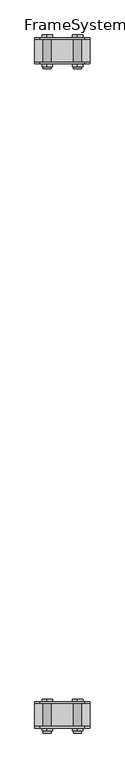
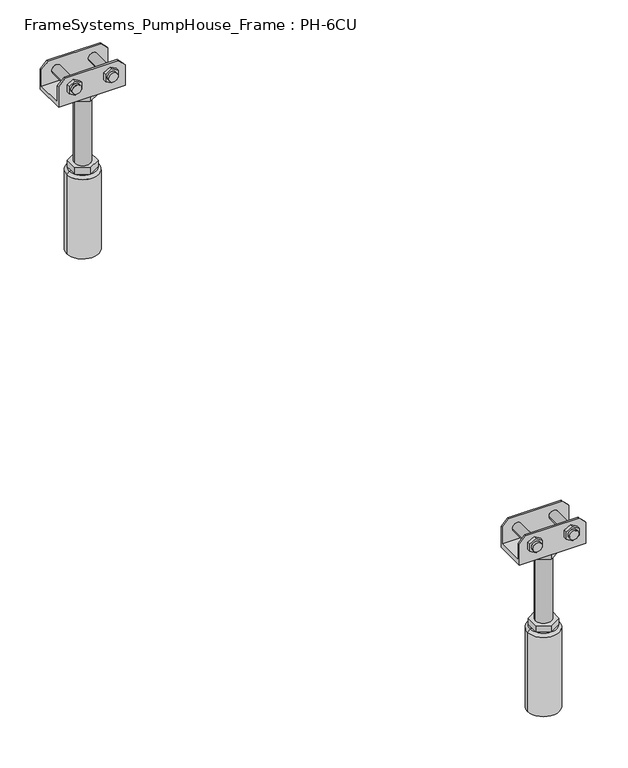
"""IFC4 building model written with IfcOpenShell, lengths in millimetres: beam geometry, FrameSystems_PumpHouse_Frame : PH-6CU."""

from ifc_helpers import new_model, si_unit, frame, origin, place, context, project, spatial, polyline, circle_curve, source, transform, mapped, element, save
from ifc_brep_helpers import plane_surface, cylinder_surface, revolved_surface, advanced_brep


def framesystems_pumphouse_frame_ph_6cu_a169cb61(model_context):
    return source(origin(), model_context, "Body", "AdvancedBrep", [
        advanced_brep(
        [(2440.0, 1179.25, 316.0), (2450.0, 1179.25, 306.0), (2450.0, 1179.25, 280.0), (2350.0, 1179.25, 280.0), (2350.0, 1179.25, 306.0), (2360.0, 1179.25, 316.0), (2434.5, 1179.25, 299.0), (2420.5, 1179.25, 299.0), (2379.5, 1179.25, 299.0), (2365.5, 1179.25, 299.0), (2440.0, 1176.25, 316.0), (2360.0, 1176.25, 316.0), (2350.0, 1176.25, 306.0), (2350.0, 1176.25, 273.0), (2450.0, 1176.25, 273.0), (2450.0, 1176.25, 306.0), (2417.9194511, 1176.25, 293.4686675), (2417.9194511, 1176.25, 304.5313325), (2427.5, 1176.25, 310.062665), (2437.0805489, 1176.25, 304.5313325), (2437.0805489, 1176.25, 293.4686675), (2427.5, 1176.25, 287.937335), (2362.9194511, 1176.25, 293.4686675), (2362.9194511, 1176.25, 304.5313325), (2372.5, 1176.25, 310.062665), (2382.0805489, 1176.25, 304.5313325), (2382.0805489, 1176.25, 293.4686675), (2372.5, 1176.25, 287.937335), (2440.0, 1223.653247, 316.0), (2450.0, 1223.653247, 306.0), (2450.0, 1223.653247, 273.0), (2350.0, 1223.653247, 273.0), (2350.0, 1223.653247, 306.0), (2360.0, 1223.653247, 316.0), (2437.0805489, 1223.653247, 304.5313325), (2427.5, 1223.653247, 310.062665), (2417.9194511, 1223.653247, 304.5313325), (2417.9194511, 1223.653247, 293.4686675), (2427.5, 1223.653247, 287.937335), (2437.0805489, 1223.653247, 293.4686675), (2382.0805489, 1223.653247, 304.5313325), (2372.5, 1223.653247, 310.062665), (2362.9194511, 1223.653247, 304.5313325), (2362.9194511, 1223.653247, 293.4686675), (2372.5, 1223.653247, 287.937335), (2382.0805489, 1223.653247, 293.4686675), (2350.0, 1220.75, 280.0), (2350.0, 1220.75, 306.0), (2450.0, 1220.75, 280.0), (2450.0, 1220.75, 306.0), (2440.0, 1220.75, 316.0), (2360.0, 1220.75, 316.0), (2420.5, 1220.75, 299.0), (2434.5, 1220.75, 299.0), (2365.5, 1220.75, 299.0), (2379.5, 1220.75, 299.0), (2382.6794919, 1210.0, 273.0), (2382.6794919, 1190.0, 273.0), (2400.0, 1180.0, 273.0), (2417.3205081, 1190.0, 273.0), (2417.3205081, 1210.0, 273.0), (2400.0, 1220.0, 273.0), (2420.5, 1167.3051094, 299.0), (2434.5, 1167.3051094, 299.0), (2365.5, 1167.3051094, 299.0), (2379.5, 1167.3051094, 299.0), (2434.5, 1171.25, 299.0), (2420.5, 1171.25, 299.0), (2379.5, 1171.25, 299.0), (2365.5, 1171.25, 299.0), (2427.5, 1228.653247, 310.062665), (2437.0805489, 1228.653247, 304.5313325), (2437.0805489, 1228.653247, 293.4686675), (2427.5, 1228.653247, 287.937335), (2417.9194511, 1228.653247, 293.4686675), (2417.9194511, 1228.653247, 304.5313325), (2372.5, 1228.653247, 310.062665), (2382.0805489, 1228.653247, 304.5313325), (2382.0805489, 1228.653247, 293.4686675), (2372.5, 1228.653247, 287.937335), (2362.9194511, 1228.653247, 293.4686675), (2362.9194511, 1228.653247, 304.5313325), (2388.0, 1200.0, 263.0), (2388.0, 1200.0, 157.0), (2412.0, 1200.0, 157.0), (2412.0, 1200.0, 263.0), (2382.6794919, 1210.0, 263.0), (2400.0, 1220.0, 263.0), (2417.3205081, 1210.0, 263.0), (2417.3205081, 1190.0, 263.0), (2400.0, 1180.0, 263.0), (2382.6794919, 1190.0, 263.0), (2382.6794919, 1210.0, 157.0), (2382.6794919, 1190.0, 157.0), (2400.0, 1180.0, 157.0), (2417.3205081, 1190.0, 157.0), (2417.3205081, 1210.0, 157.0), (2400.0, 1220.0, 157.0), (2382.6794919, 1210.0, 147.0), (2382.6794919, 1200.0, 147.0), (2382.6794919, 1190.0, 147.0), (2400.0, 1180.0, 147.0), (2417.3205081, 1190.0, 147.0), (2417.3205081, 1200.0, 147.0), (2417.3205081, 1210.0, 147.0), (2400.0, 1220.0, 147.0), (2380.0, 1200.0, 147.0), (2420.0, 1200.0, 147.0), (2424.0, 1200.0, 143.0), (2376.0, 1200.0, 143.0), (2424.0, 1200.0, 17.0), (2376.0, 1200.0, 17.0), (2400.0, 1200.0, 17.0), (2417.9194511, 1171.25, 304.5313325), (2417.9194511, 1171.25, 293.4686675), (2427.5, 1171.25, 287.937335), (2437.0805489, 1171.25, 293.4686675), (2437.0805489, 1171.25, 304.5313325), (2427.5, 1171.25, 310.062665), (2362.9194511, 1171.25, 304.5313325), (2362.9194511, 1171.25, 293.4686675), (2372.5, 1171.25, 287.937335), (2382.0805489, 1171.25, 293.4686675), (2382.0805489, 1171.25, 304.5313325), (2372.5, 1171.25, 310.062665)],
        [
            (0, 1),
            (1, 2),
            (2, 3),
            (3, 4),
            (4, 5),
            (5, 0),
            (6, 7, circle_curve(frame((2427.5, 1179.25, 299.0), z_axis=(0.0, -1.0, 0.0), x_axis=(-1.0, 0.0, 0.0)), 7.0)),
            (7, 6, circle_curve(frame((2427.5, 1179.25, 299.0), z_axis=(0.0, -1.0, 0.0), x_axis=(-1.0, 0.0, 0.0)), 7.0)),
            (8, 9, circle_curve(frame((2372.5, 1179.25, 299.0), z_axis=(0.0, -1.0, 0.0), x_axis=(-1.0, 0.0, 0.0)), 7.0)),
            (9, 8, circle_curve(frame((2372.5, 1179.25, 299.0), z_axis=(0.0, -1.0, 0.0), x_axis=(-1.0, 0.0, 0.0)), 7.0)),
            (10, 11),
            (11, 12),
            (12, 13),
            (13, 14),
            (14, 15),
            (15, 10),
            (16, 17),
            (17, 18),
            (18, 19),
            (19, 20),
            (20, 21),
            (21, 16),
            (22, 23),
            (23, 24),
            (24, 25),
            (25, 26),
            (26, 27),
            (27, 22),
            (5, 11),
            (10, 0),
            (4, 12),
            (15, 1),
            (28, 29),
            (29, 30),
            (30, 31),
            (31, 32),
            (32, 33),
            (33, 28),
            (34, 35),
            (35, 36),
            (36, 37),
            (37, 38),
            (38, 39),
            (39, 34),
            (40, 41),
            (41, 42),
            (42, 43),
            (43, 44),
            (44, 45),
            (45, 40),
            (46, 47),
            (47, 32),
            (31, 13),
            (3, 46),
            (46, 48),
            (48, 49),
            (49, 50),
            (50, 51),
            (51, 47),
            (52, 53, circle_curve(frame((2427.5, 1220.75, 299.0), z_axis=(0.0, 1.0, 0.0), x_axis=(-1.0, 0.0, 0.0)), 7.0)),
            (53, 52, circle_curve(frame((2427.5, 1220.75, 299.0), z_axis=(0.0, 1.0, 0.0), x_axis=(-1.0, 0.0, 0.0)), 7.0)),
            (54, 55, circle_curve(frame((2372.5, 1220.75, 299.0), z_axis=(0.0, 1.0, 0.0), x_axis=(-1.0, 0.0, 0.0)), 7.0)),
            (55, 54, circle_curve(frame((2372.5, 1220.75, 299.0), z_axis=(0.0, 1.0, 0.0), x_axis=(-1.0, 0.0, 0.0)), 7.0)),
            (48, 2),
            (14, 30),
            (29, 49),
            (50, 28),
            (33, 51),
            (56, 57),
            (57, 58),
            (58, 59),
            (59, 60),
            (60, 61),
            (61, 56),
            (62, 63, circle_curve(frame((2427.5, 1167.3051094, 299.0), z_axis=(0.0, -1.0, 0.0), x_axis=(-1.0, 0.0, 0.0)), 7.0)),
            (63, 62, circle_curve(frame((2427.5, 1167.3051094, 299.0), z_axis=(0.0, -1.0, 0.0), x_axis=(-1.0, 0.0, 0.0)), 7.0)),
            (64, 65, circle_curve(frame((2372.5, 1167.3051094, 299.0), z_axis=(0.0, -1.0, 0.0), x_axis=(-1.0, 0.0, 0.0)), 7.0)),
            (65, 64, circle_curve(frame((2372.5, 1167.3051094, 299.0), z_axis=(0.0, -1.0, 0.0), x_axis=(-1.0, 0.0, 0.0)), 7.0)),
            (63, 66),
            (66, 67, circle_curve(frame((2427.5, 1171.25, 299.0), z_axis=(0.0, -1.0, 0.0), x_axis=(-1.0, 0.0, 0.0)), 7.0)),
            (67, 62),
            (6, 53),
            (52, 7),
            (67, 66, circle_curve(frame((2427.5, 1171.25, 299.0), z_axis=(0.0, -1.0, 0.0), x_axis=(-1.0, 0.0, 0.0)), 7.0)),
            (65, 68),
            (68, 69, circle_curve(frame((2372.5, 1171.25, 299.0), z_axis=(0.0, -1.0, 0.0), x_axis=(-1.0, 0.0, 0.0)), 7.0)),
            (69, 64),
            (8, 55),
            (54, 9),
            (69, 68, circle_curve(frame((2372.5, 1171.25, 299.0), z_axis=(0.0, -1.0, 0.0), x_axis=(-1.0, 0.0, 0.0)), 7.0)),
            (70, 71),
            (71, 72),
            (72, 73),
            (73, 74),
            (74, 75),
            (75, 70),
            (76, 77),
            (77, 78),
            (78, 79),
            (79, 80),
            (80, 81),
            (81, 76),
            (70, 35),
            (34, 71),
            (39, 72),
            (38, 73),
            (37, 74),
            (36, 75),
            (76, 41),
            (40, 77),
            (45, 78),
            (44, 79),
            (43, 80),
            (42, 81),
            (82, 83),
            (83, 84, circle_curve(frame((2400.0, 1200.0, 157.0), z_axis=(0.0, 0.0, 1.0), x_axis=(1.0, 0.0, 0.0)), 12.0)),
            (84, 85),
            (85, 82, circle_curve(frame((2400.0, 1200.0, 263.0), z_axis=(0.0, 0.0, -1.0), x_axis=(1.0, 0.0, 0.0)), 12.0)),
            (82, 85, circle_curve(frame((2400.0, 1200.0, 263.0), z_axis=(0.0, 0.0, -1.0), x_axis=(1.0, 0.0, 0.0)), 12.0)),
            (84, 83, circle_curve(frame((2400.0, 1200.0, 157.0), z_axis=(0.0, 0.0, 1.0), x_axis=(1.0, 0.0, 0.0)), 12.0)),
            (86, 87),
            (87, 88),
            (88, 89),
            (89, 90),
            (90, 91),
            (91, 86),
            (91, 57),
            (56, 86),
            (90, 58),
            (89, 59),
            (88, 60),
            (87, 61),
            (92, 93),
            (93, 94),
            (94, 95),
            (95, 96),
            (96, 97),
            (97, 92),
            (92, 98),
            (98, 99),
            (99, 100),
            (100, 93),
            (100, 101),
            (101, 94),
            (101, 102),
            (102, 95),
            (102, 103),
            (103, 104),
            (104, 96),
            (104, 105),
            (105, 97),
            (105, 98),
            (98, 106, circle_curve(frame((2400.0, 1200.0, 147.0), z_axis=(0.0, 0.0, 1.0), x_axis=(-1.0, 0.0, 0.0)), 20.0)),
            (106, 99),
            (105, 98, circle_curve(frame((2400.0, 1200.0, 147.0), z_axis=(0.0, 0.0, 1.0), x_axis=(-1.0, 0.0, 0.0)), 20.0)),
            (104, 105, circle_curve(frame((2400.0, 1200.0, 147.0), z_axis=(0.0, 0.0, 1.0), x_axis=(-1.0, 0.0, 0.0)), 20.0)),
            (107, 104, circle_curve(frame((2400.0, 1200.0, 147.0), z_axis=(0.0, 0.0, 1.0), x_axis=(-1.0, 0.0, 0.0)), 20.0)),
            (103, 107),
            (102, 107, circle_curve(frame((2400.0, 1200.0, 147.0), z_axis=(0.0, 0.0, 1.0), x_axis=(-1.0, 0.0, 0.0)), 20.0)),
            (101, 102, circle_curve(frame((2400.0, 1200.0, 147.0), z_axis=(0.0, 0.0, 1.0), x_axis=(-1.0, 0.0, 0.0)), 20.0)),
            (100, 101, circle_curve(frame((2400.0, 1200.0, 147.0), z_axis=(0.0, 0.0, 1.0), x_axis=(-1.0, 0.0, 0.0)), 20.0)),
            (106, 100, circle_curve(frame((2400.0, 1200.0, 147.0), z_axis=(0.0, 0.0, 1.0), x_axis=(-1.0, 0.0, 0.0)), 20.0)),
            (108, 109, circle_curve(frame((2400.0, 1200.0, 143.0), z_axis=(0.0, 0.0, 1.0), x_axis=(-1.0, 0.0, 0.0)), 24.0)),
            (109, 106),
            (107, 108),
            (109, 108, circle_curve(frame((2400.0, 1200.0, 143.0), z_axis=(0.0, 0.0, 1.0), x_axis=(-1.0, 0.0, 0.0)), 24.0)),
            (108, 110),
            (110, 111, circle_curve(frame((2400.0, 1200.0, 17.0), z_axis=(0.0, 0.0, 1.0), x_axis=(-1.0, 0.0, 0.0)), 24.0)),
            (111, 109),
            (111, 110, circle_curve(frame((2400.0, 1200.0, 17.0), z_axis=(0.0, 0.0, 1.0), x_axis=(-1.0, 0.0, 0.0)), 24.0)),
            (110, 112),
            (112, 111),
            (113, 114),
            (114, 115),
            (115, 116),
            (116, 117),
            (117, 118),
            (118, 113),
            (113, 17),
            (16, 114),
            (21, 115),
            (20, 116),
            (19, 117),
            (18, 118),
            (119, 120),
            (120, 121),
            (121, 122),
            (122, 123),
            (123, 124),
            (124, 119),
            (119, 23),
            (22, 120),
            (27, 121),
            (26, 122),
            (25, 123),
            (24, 124),
        ],
        [
            plane_surface(frame((2384.0150941, 1179.25, 316.0), z_axis=(0.0, 1.0, 0.0), x_axis=(1.0, 0.0, 0.0))),
            plane_surface(frame((2384.0150941, 1176.25, 316.0), z_axis=(0.0, -1.0, 0.0), x_axis=(-1.0, 0.0, 0.0))),
            plane_surface(frame((2440.0, 1176.25, 316.0), z_axis=(0.0, 0.0, 1.0), x_axis=(0.0, 1.0, 0.0))),
            plane_surface(frame((2360.0, 1176.25, 316.0), z_axis=(-0.7071067811865467, 0.0, 0.7071067811865485), x_axis=(0.0, 1.0, 0.0))),
            plane_surface(frame((2450.0, 1176.25, 306.0), z_axis=(0.7071067811865488, 0.0, 0.7071067811865464), x_axis=(0.0, 1.0, 0.0))),
            plane_surface(frame((2450.0, 1223.653247, 306.0), z_axis=(0.0, 1.0, 0.0), x_axis=(0.0, 0.0, -1.0))),
            plane_surface(frame((2350.0, 1223.653247, 306.0), z_axis=(-1.0, 0.0, 0.0), x_axis=(0.0, 0.0, -1.0))),
            plane_surface(frame((2350.0, 1220.75, 306.0), z_axis=(0.0, -1.0, 0.0), x_axis=(0.0, 0.0, -1.0))),
            plane_surface(frame((2450.0, 1220.75, 306.0), z_axis=(1.0, 0.0, 0.0), x_axis=(0.0, 0.0, -1.0))),
            plane_surface(frame((2360.0, 1223.75, 316.0), z_axis=(0.0, 0.0, 1.0), x_axis=(0.0, -1.0, 0.0))),
            plane_surface(frame((2350.0, 1223.75, 306.0), z_axis=(-0.7071067811865467, 0.0, 0.7071067811865485), x_axis=(0.0, -1.0, 0.0))),
            plane_surface(frame((2440.0, 1223.75, 316.0), z_axis=(0.7071067811865493, 0.0, 0.7071067811865457), x_axis=(0.0, -1.0, 0.0))),
            plane_surface(frame((2400.0, 1223.75, 280.0), z_axis=(0.0, 0.0, 1.0), x_axis=(-1.0, 0.0, 0.0))),
            plane_surface(frame((2400.0, 1223.75, 273.0), z_axis=(0.0, 0.0, -1.0), x_axis=(1.0, 0.0, 0.0))),
            plane_surface(frame((2420.5, 1167.3051094, 299.0), z_axis=(0.0, -1.0, 0.0), x_axis=(0.0, 0.0, -1.0))),
            cylinder_surface(frame((2427.5, 1167.3051094, 299.0), z_axis=(0.0, 1.0, 0.0), x_axis=(-1.0, 0.0, 0.0)), 7.0),
            cylinder_surface(frame((2372.5, 1223.653247, 299.0), z_axis=(0.0, 1.0, 0.0), x_axis=(-1.0, 0.0, 0.0)), 7.0),
            plane_surface(frame((2427.5, 1228.653247, 310.062665), z_axis=(0.0, 1.0000000000000002, 0.0), x_axis=(0.8660254037844375, 0.0, -0.5000000000000022))),
            plane_surface(frame((2427.5, 1228.653247, 310.062665), z_axis=(0.5000000000000022, 0.0, 0.8660254037844375), x_axis=(0.0, -1.0, 0.0))),
            plane_surface(frame((2437.0805489, 1228.653247, 304.5313325), z_axis=(1.0, 0.0, 0.0), x_axis=(0.0, -1.0, 0.0))),
            plane_surface(frame((2437.0805489, 1228.653247, 293.4686675), z_axis=(0.4999999999999969, 0.0, -0.8660254037844405), x_axis=(0.0, -1.0, 0.0))),
            plane_surface(frame((2427.5, 1228.653247, 287.937335), z_axis=(-0.5000000000000034, 0.0, -0.8660254037844367), x_axis=(0.0, -1.0, 0.0))),
            plane_surface(frame((2417.9194511, 1228.653247, 293.4686675), z_axis=(-1.0, 0.0, 0.0), x_axis=(0.0, -1.0, 0.0))),
            plane_surface(frame((2417.9194511, 1228.653247, 304.5313325), z_axis=(-0.49999999999999684, 0.0, 0.8660254037844405), x_axis=(0.0, -1.0, 0.0))),
            plane_surface(frame((2372.5, 1228.653247, 310.062665), z_axis=(0.5000000000000023, 0.0, 0.8660254037844374), x_axis=(0.0, -1.0, 0.0))),
            plane_surface(frame((2382.0805489, 1228.653247, 304.5313325), z_axis=(1.0, 0.0, 0.0), x_axis=(0.0, -1.0, 0.0))),
            plane_surface(frame((2382.0805489, 1228.653247, 293.4686675), z_axis=(0.4999999999999969, 0.0, -0.8660254037844405), x_axis=(0.0, -1.0, 0.0))),
            plane_surface(frame((2372.5, 1228.653247, 287.937335), z_axis=(-0.5000000000000033, 0.0, -0.8660254037844368), x_axis=(0.0, -1.0, 0.0))),
            plane_surface(frame((2362.9194511, 1228.653247, 293.4686675), z_axis=(-1.0, 0.0, 0.0), x_axis=(0.0, -1.0, 0.0))),
            plane_surface(frame((2362.9194511, 1228.653247, 304.5313325), z_axis=(-0.4999999999999967, 0.0, 0.8660254037844405), x_axis=(0.0, -1.0, 0.0))),
            cylinder_surface(frame((2400.0, 1200.0, 157.0), z_axis=(0.0, 0.0, 1.0), x_axis=(1.0, 0.0, 0.0)), 12.0),
            plane_surface(frame((2382.6794919, 1210.0, 263.0), z_axis=(0.0, 0.0, -1.0), x_axis=(0.0, 1.0, 0.0))),
            plane_surface(frame((2382.6794919, 1210.0, 273.0), z_axis=(-1.0, 0.0, 0.0), x_axis=(0.0, 0.0, -1.0))),
            plane_surface(frame((2382.6794919, 1190.0, 273.0), z_axis=(-0.5000000000000034, -0.8660254037844367, 0.0), x_axis=(0.0, 0.0, -1.0))),
            plane_surface(frame((2400.0, 1180.0, 273.0), z_axis=(0.4999999999999958, -0.8660254037844412, 0.0), x_axis=(0.0, 0.0, -1.0))),
            plane_surface(frame((2417.3205081, 1190.0, 273.0), z_axis=(1.0, 0.0, 0.0), x_axis=(0.0, 0.0, -1.0))),
            plane_surface(frame((2417.3205081, 1210.0, 273.0), z_axis=(0.5000000000000064, 0.866025403784435, 0.0), x_axis=(0.0, 0.0, -1.0))),
            plane_surface(frame((2400.0, 1220.0, 273.0), z_axis=(-0.4999999999999984, 0.8660254037844396, 0.0), x_axis=(0.0, 0.0, -1.0))),
            plane_surface(frame((2382.6794919, 1210.0, 157.0), z_axis=(0.0, 0.0, 1.0), x_axis=(0.0, -1.0, 0.0))),
            plane_surface(frame((2382.6794919, 1210.0, 157.0), z_axis=(-1.0, 0.0, 0.0), x_axis=(0.0, 0.0, -1.0))),
            plane_surface(frame((2382.6794919, 1190.0, 157.0), z_axis=(-0.5000000000000034, -0.8660254037844367, 0.0), x_axis=(0.0, 0.0, -1.0))),
            plane_surface(frame((2400.0, 1180.0, 157.0), z_axis=(0.49999999999999545, -0.8660254037844413, 0.0), x_axis=(0.0, 0.0, -1.0))),
            plane_surface(frame((2417.3205081, 1190.0, 157.0), z_axis=(1.0, 0.0, 0.0), x_axis=(0.0, 0.0, -1.0))),
            plane_surface(frame((2417.3205081, 1210.0, 157.0), z_axis=(0.5000000000000064, 0.866025403784435, 0.0), x_axis=(0.0, 0.0, -1.0))),
            plane_surface(frame((2400.0, 1220.0, 157.0), z_axis=(-0.49999999999999845, 0.8660254037844396, 0.0), x_axis=(0.0, 0.0, -1.0))),
            plane_surface(frame((2400.0, 1200.0, 147.0), z_axis=(0.0, 0.0, 1.0), x_axis=(-1.0, 0.0, 0.0))),
            revolved_surface(polyline([(2380.0, 1200.0, 147.0), (2376.0, 1200.0, 143.0)]), (2400.0, 1200.0, 172.0), (0.0, 0.0, -1.0)),
            cylinder_surface(frame((2400.0, 1200.0, 172.0), z_axis=(0.0, 0.0, -1.0), x_axis=(-1.0, 0.0, 0.0)), 24.0),
            plane_surface(frame((2400.0, 1200.0, 17.0), z_axis=(0.0, 0.0, -1.0), x_axis=(-1.0, 0.0, 0.0))),
            plane_surface(frame((2417.9194511, 1171.25, 304.5313325), z_axis=(0.0, -1.0, 0.0), x_axis=(0.0, 0.0, -1.0))),
            plane_surface(frame((2417.9194511, 1171.25, 304.5313325), z_axis=(-1.0, 0.0, 0.0), x_axis=(0.0, 1.0, 0.0))),
            plane_surface(frame((2417.9194511, 1171.25, 293.4686675), z_axis=(-0.500000000000003, 0.0, -0.866025403784437), x_axis=(0.0, 1.0, 0.0))),
            plane_surface(frame((2427.5, 1171.25, 287.937335), z_axis=(0.4999999999999972, 0.0, -0.8660254037844403), x_axis=(0.0, 1.0, 0.0))),
            plane_surface(frame((2437.0805489, 1171.25, 293.4686675), z_axis=(1.0, 0.0, 0.0), x_axis=(0.0, 1.0, 0.0))),
            plane_surface(frame((2437.0805489, 1171.25, 304.5313325), z_axis=(0.500000000000003, 0.0, 0.8660254037844369), x_axis=(0.0, 1.0, 0.0))),
            plane_surface(frame((2427.5, 1171.25, 310.062665), z_axis=(-0.49999999999999617, 0.0, 0.8660254037844409), x_axis=(0.0, 1.0, 0.0))),
            plane_surface(frame((2362.9194511, 1171.25, 304.5313325), z_axis=(0.0, -1.0, 0.0), x_axis=(0.0, 0.0, -1.0))),
            plane_surface(frame((2362.9194511, 1171.25, 304.5313325), z_axis=(-1.0, 0.0, 0.0), x_axis=(0.0, 1.0, 0.0))),
            plane_surface(frame((2362.9194511, 1171.25, 293.4686675), z_axis=(-0.5000000000000031, 0.0, -0.8660254037844368), x_axis=(0.0, 1.0, 0.0))),
            plane_surface(frame((2372.5, 1171.25, 287.937335), z_axis=(0.49999999999999717, 0.0, -0.8660254037844404), x_axis=(0.0, 1.0, 0.0))),
            plane_surface(frame((2382.0805489, 1171.25, 293.4686675), z_axis=(1.0, 0.0, 0.0), x_axis=(0.0, 1.0, 0.0))),
            plane_surface(frame((2382.0805489, 1171.25, 304.5313325), z_axis=(0.500000000000003, 0.0, 0.8660254037844369), x_axis=(0.0, 1.0, 0.0))),
            plane_surface(frame((2372.5, 1171.25, 310.062665), z_axis=(-0.4999999999999963, 0.0, 0.8660254037844408), x_axis=(0.0, 1.0, 0.0))),
        ],
        [
            (0, [[1, 2, 3, 4, 5, 6], [7, 8], [9, 10]]),
            (1, [[11, 12, 13, 14, 15, 16], [17, 18, 19, 20, 21, 22], [23, 24, 25, 26, 27, 28]]),
            (2, [[-6, 29, -11, 30]]),
            (3, [[-5, 31, -12, -29]]),
            (4, [[-1, -30, -16, 32]]),
            (5, [[33, 34, 35, 36, 37, 38], [39, 40, 41, 42, 43, 44], [45, 46, 47, 48, 49, 50]]),
            (6, [[51, 52, -36, 53, -13, -31, -4, 54]]),
            (7, [[-51, 55, 56, 57, 58, 59], [60, 61], [62, 63]]),
            (8, [[-56, 64, -2, -32, -15, 65, -34, 66]]),
            (9, [[-58, 67, -38, 68]]),
            (10, [[-59, -68, -37, -52]]),
            (11, [[-57, -66, -33, -67]]),
            (12, [[-64, -55, -54, -3]]),
            (13, [[-65, -14, -53, -35], [69, 70, 71, 72, 73, 74]]),
            (14, [[75, 76]]),
            (14, [[77, 78]]),
            (15, [[-76, 79, 80, 81]]),
            (15, [[82, -60, 83, -7]]),
            (15, [[-75, -81, 84, -79]]),
            (15, [[-82, -8, -83, -61]]),
            (16, [[-78, 85, 86, 87]]),
            (16, [[88, -62, 89, -9]]),
            (16, [[-77, -87, 90, -85]]),
            (16, [[-88, -10, -89, -63]]),
            (17, [[91, 92, 93, 94, 95, 96]]),
            (17, [[97, 98, 99, 100, 101, 102]]),
            (18, [[-91, 103, -39, 104]]),
            (19, [[-92, -104, -44, 105]]),
            (20, [[-93, -105, -43, 106]]),
            (21, [[-94, -106, -42, 107]]),
            (22, [[-95, -107, -41, 108]]),
            (23, [[-96, -108, -40, -103]]),
            (24, [[-97, 109, -45, 110]]),
            (25, [[-98, -110, -50, 111]]),
            (26, [[-99, -111, -49, 112]]),
            (27, [[-100, -112, -48, 113]]),
            (28, [[-101, -113, -47, 114]]),
            (29, [[-102, -114, -46, -109]]),
            (30, [[115, 116, 117, 118]]),
            (30, [[-115, 119, -117, 120]]),
            (31, [[121, 122, 123, 124, 125, 126], [-118, -119]]),
            (32, [[-126, 127, -69, 128]]),
            (33, [[-125, 129, -70, -127]]),
            (34, [[-124, 130, -71, -129]]),
            (35, [[-123, 131, -72, -130]]),
            (36, [[-122, 132, -73, -131]]),
            (37, [[-121, -128, -74, -132]]),
            (38, [[133, 134, 135, 136, 137, 138], [-116, -120]]),
            (39, [[-133, 139, 140, 141, 142]]),
            (40, [[-134, -142, 143, 144]]),
            (41, [[-135, -144, 145, 146]]),
            (42, [[-136, -146, 147, 148, 149]]),
            (43, [[-137, -149, 150, 151]]),
            (44, [[-138, -151, 152, -139]]),
            (45, [[153, 154, -140]]),
            (45, [[155, -152]]),
            (45, [[156, -150]]),
            (45, [[157, -148, 158]]),
            (45, [[159, -158, -147]]),
            (45, [[160, -145]]),
            (45, [[161, -143]]),
            (45, [[162, -141, -154]]),
            (46, [[163, 164, -153, -155, -156, -157, 165]]),
            (46, [[-164, 166, -165, -159, -160, -161, -162]]),
            (47, [[-163, 167, 168, 169]]),
            (47, [[-166, -169, 170, -167]]),
            (48, [[-168, 171, 172]]),
            (48, [[-170, -172, -171]]),
            (49, [[173, 174, 175, 176, 177, 178], [-80, -84]]),
            (50, [[-173, 179, -17, 180]]),
            (51, [[-174, -180, -22, 181]]),
            (52, [[-175, -181, -21, 182]]),
            (53, [[-176, -182, -20, 183]]),
            (54, [[-177, -183, -19, 184]]),
            (55, [[-178, -184, -18, -179]]),
            (56, [[185, 186, 187, 188, 189, 190], [-86, -90]]),
            (57, [[-185, 191, -23, 192]]),
            (58, [[-186, -192, -28, 193]]),
            (59, [[-187, -193, -27, 194]]),
            (60, [[-188, -194, -26, 195]]),
            (61, [[-189, -195, -25, 196]]),
            (62, [[-190, -196, -24, -191]]),
        ],
    ),
        advanced_brep(
        [(2440.0, -20.75, 316.0), (2450.0, -20.75, 306.0), (2450.0, -20.75, 280.0), (2350.0, -20.75, 280.0), (2350.0, -20.75, 306.0), (2360.0, -20.75, 316.0), (2434.5, -20.75, 299.0), (2420.5, -20.75, 299.0), (2379.5, -20.75, 299.0), (2365.5, -20.75, 299.0), (2440.0, -23.75, 316.0), (2360.0, -23.75, 316.0), (2350.0, -23.75, 306.0), (2350.0, -23.75, 273.0), (2450.0, -23.75, 273.0), (2450.0, -23.75, 306.0), (2417.9194511, -23.75, 293.4686675), (2417.9194511, -23.75, 304.5313325), (2427.5, -23.75, 310.062665), (2437.0805489, -23.75, 304.5313325), (2437.0805489, -23.75, 293.4686675), (2427.5, -23.75, 287.937335), (2362.9194511, -23.75, 293.4686675), (2362.9194511, -23.75, 304.5313325), (2372.5, -23.75, 310.062665), (2382.0805489, -23.75, 304.5313325), (2382.0805489, -23.75, 293.4686675), (2372.5, -23.75, 287.937335), (2440.0, 23.653247, 316.0), (2450.0, 23.653247, 306.0), (2450.0, 23.653247, 273.0), (2350.0, 23.653247, 273.0), (2350.0, 23.653247, 306.0), (2360.0, 23.653247, 316.0), (2437.0805489, 23.653247, 304.5313325), (2427.5, 23.653247, 310.062665), (2417.9194511, 23.653247, 304.5313325), (2417.9194511, 23.653247, 293.4686675), (2427.5, 23.653247, 287.937335), (2437.0805489, 23.653247, 293.4686675), (2382.0805489, 23.653247, 304.5313325), (2372.5, 23.653247, 310.062665), (2362.9194511, 23.653247, 304.5313325), (2362.9194511, 23.653247, 293.4686675), (2372.5, 23.653247, 287.937335), (2382.0805489, 23.653247, 293.4686675), (2350.0, 20.75, 280.0), (2350.0, 20.75, 306.0), (2450.0, 20.75, 280.0), (2450.0, 20.75, 306.0), (2440.0, 20.75, 316.0), (2360.0, 20.75, 316.0), (2420.5, 20.75, 299.0), (2434.5, 20.75, 299.0), (2365.5, 20.75, 299.0), (2379.5, 20.75, 299.0), (2382.6794919, 10.0, 273.0), (2382.6794919, -10.0, 273.0), (2400.0, -20.0, 273.0), (2417.3205081, -10.0, 273.0), (2417.3205081, 10.0, 273.0), (2400.0, 20.0, 273.0), (2420.5, -32.6948906, 299.0), (2434.5, -32.6948906, 299.0), (2365.5, -32.6948906, 299.0), (2379.5, -32.6948906, 299.0), (2434.5, -28.75, 299.0), (2420.5, -28.75, 299.0), (2379.5, -28.75, 299.0), (2365.5, -28.75, 299.0), (2427.5, 28.653247, 310.062665), (2437.0805489, 28.653247, 304.5313325), (2437.0805489, 28.653247, 293.4686675), (2427.5, 28.653247, 287.937335), (2417.9194511, 28.653247, 293.4686675), (2417.9194511, 28.653247, 304.5313325), (2372.5, 28.653247, 310.062665), (2382.0805489, 28.653247, 304.5313325), (2382.0805489, 28.653247, 293.4686675), (2372.5, 28.653247, 287.937335), (2362.9194511, 28.653247, 293.4686675), (2362.9194511, 28.653247, 304.5313325), (2388.0, 0.0, 263.0), (2388.0, 0.0, 157.0), (2412.0, 0.0, 157.0), (2412.0, 0.0, 263.0), (2382.6794919, 10.0, 263.0), (2400.0, 20.0, 263.0), (2417.3205081, 10.0, 263.0), (2417.3205081, -10.0, 263.0), (2400.0, -20.0, 263.0), (2382.6794919, -10.0, 263.0), (2382.6794919, 10.0, 157.0), (2382.6794919, -10.0, 157.0), (2400.0, -20.0, 157.0), (2417.3205081, -10.0, 157.0), (2417.3205081, 10.0, 157.0), (2400.0, 20.0, 157.0), (2382.6794919, 10.0, 147.0), (2382.6794919, 0.0, 147.0), (2382.6794919, -10.0, 147.0), (2400.0, -20.0, 147.0), (2417.3205081, -10.0, 147.0), (2417.3205081, 0.0, 147.0), (2417.3205081, 10.0, 147.0), (2400.0, 20.0, 147.0), (2380.0, 0.0, 147.0), (2420.0, 0.0, 147.0), (2424.0, 0.0, 143.0), (2376.0, 0.0, 143.0), (2424.0, 0.0, 17.0), (2376.0, 0.0, 17.0), (2400.0, 0.0, 17.0), (2417.9194511, -28.75, 304.5313325), (2417.9194511, -28.75, 293.4686675), (2427.5, -28.75, 287.937335), (2437.0805489, -28.75, 293.4686675), (2437.0805489, -28.75, 304.5313325), (2427.5, -28.75, 310.062665), (2362.9194511, -28.75, 304.5313325), (2362.9194511, -28.75, 293.4686675), (2372.5, -28.75, 287.937335), (2382.0805489, -28.75, 293.4686675), (2382.0805489, -28.75, 304.5313325), (2372.5, -28.75, 310.062665)],
        [
            (0, 1),
            (1, 2),
            (2, 3),
            (3, 4),
            (4, 5),
            (5, 0),
            (6, 7, circle_curve(frame((2427.5, -20.75, 299.0), z_axis=(0.0, -1.0, 0.0), x_axis=(-1.0, 0.0, 0.0)), 7.0)),
            (7, 6, circle_curve(frame((2427.5, -20.75, 299.0), z_axis=(0.0, -1.0, 0.0), x_axis=(-1.0, 0.0, 0.0)), 7.0)),
            (8, 9, circle_curve(frame((2372.5, -20.75, 299.0), z_axis=(0.0, -1.0, 0.0), x_axis=(-1.0, 0.0, 0.0)), 7.0)),
            (9, 8, circle_curve(frame((2372.5, -20.75, 299.0), z_axis=(0.0, -1.0, 0.0), x_axis=(-1.0, 0.0, 0.0)), 7.0)),
            (10, 11),
            (11, 12),
            (12, 13),
            (13, 14),
            (14, 15),
            (15, 10),
            (16, 17),
            (17, 18),
            (18, 19),
            (19, 20),
            (20, 21),
            (21, 16),
            (22, 23),
            (23, 24),
            (24, 25),
            (25, 26),
            (26, 27),
            (27, 22),
            (5, 11),
            (10, 0),
            (4, 12),
            (15, 1),
            (28, 29),
            (29, 30),
            (30, 31),
            (31, 32),
            (32, 33),
            (33, 28),
            (34, 35),
            (35, 36),
            (36, 37),
            (37, 38),
            (38, 39),
            (39, 34),
            (40, 41),
            (41, 42),
            (42, 43),
            (43, 44),
            (44, 45),
            (45, 40),
            (46, 47),
            (47, 32),
            (31, 13),
            (3, 46),
            (46, 48),
            (48, 49),
            (49, 50),
            (50, 51),
            (51, 47),
            (52, 53, circle_curve(frame((2427.5, 20.75, 299.0), z_axis=(0.0, 1.0, 0.0), x_axis=(-1.0, 0.0, 0.0)), 7.0)),
            (53, 52, circle_curve(frame((2427.5, 20.75, 299.0), z_axis=(0.0, 1.0, 0.0), x_axis=(-1.0, 0.0, 0.0)), 7.0)),
            (54, 55, circle_curve(frame((2372.5, 20.75, 299.0), z_axis=(0.0, 1.0, 0.0), x_axis=(-1.0, 0.0, 0.0)), 7.0)),
            (55, 54, circle_curve(frame((2372.5, 20.75, 299.0), z_axis=(0.0, 1.0, 0.0), x_axis=(-1.0, 0.0, 0.0)), 7.0)),
            (48, 2),
            (14, 30),
            (29, 49),
            (50, 28),
            (33, 51),
            (56, 57),
            (57, 58),
            (58, 59),
            (59, 60),
            (60, 61),
            (61, 56),
            (62, 63, circle_curve(frame((2427.5, -32.6948906, 299.0), z_axis=(0.0, -1.0, 0.0), x_axis=(-1.0, 0.0, 0.0)), 7.0)),
            (63, 62, circle_curve(frame((2427.5, -32.6948906, 299.0), z_axis=(0.0, -1.0, 0.0), x_axis=(-1.0, 0.0, 0.0)), 7.0)),
            (64, 65, circle_curve(frame((2372.5, -32.6948906, 299.0), z_axis=(0.0, -1.0, 0.0), x_axis=(-1.0, 0.0, 0.0)), 7.0)),
            (65, 64, circle_curve(frame((2372.5, -32.6948906, 299.0), z_axis=(0.0, -1.0, 0.0), x_axis=(-1.0, 0.0, 0.0)), 7.0)),
            (63, 66),
            (66, 67, circle_curve(frame((2427.5, -28.75, 299.0), z_axis=(0.0, -1.0, 0.0), x_axis=(-1.0, 0.0, 0.0)), 7.0)),
            (67, 62),
            (6, 53),
            (52, 7),
            (67, 66, circle_curve(frame((2427.5, -28.75, 299.0), z_axis=(0.0, -1.0, 0.0), x_axis=(-1.0, 0.0, 0.0)), 7.0)),
            (65, 68),
            (68, 69, circle_curve(frame((2372.5, -28.75, 299.0), z_axis=(0.0, -1.0, 0.0), x_axis=(-1.0, 0.0, 0.0)), 7.0)),
            (69, 64),
            (8, 55),
            (54, 9),
            (69, 68, circle_curve(frame((2372.5, -28.75, 299.0), z_axis=(0.0, -1.0, 0.0), x_axis=(-1.0, 0.0, 0.0)), 7.0)),
            (70, 71),
            (71, 72),
            (72, 73),
            (73, 74),
            (74, 75),
            (75, 70),
            (76, 77),
            (77, 78),
            (78, 79),
            (79, 80),
            (80, 81),
            (81, 76),
            (70, 35),
            (34, 71),
            (39, 72),
            (38, 73),
            (37, 74),
            (36, 75),
            (76, 41),
            (40, 77),
            (45, 78),
            (44, 79),
            (43, 80),
            (42, 81),
            (82, 83),
            (83, 84, circle_curve(frame((2400.0, 0.0, 157.0), z_axis=(0.0, 0.0, 1.0), x_axis=(1.0, 0.0, 0.0)), 12.0)),
            (84, 85),
            (85, 82, circle_curve(frame((2400.0, 0.0, 263.0), z_axis=(0.0, 0.0, -1.0), x_axis=(1.0, 0.0, 0.0)), 12.0)),
            (82, 85, circle_curve(frame((2400.0, 0.0, 263.0), z_axis=(0.0, 0.0, -1.0), x_axis=(1.0, 0.0, 0.0)), 12.0)),
            (84, 83, circle_curve(frame((2400.0, 0.0, 157.0), z_axis=(0.0, 0.0, 1.0), x_axis=(1.0, 0.0, 0.0)), 12.0)),
            (86, 87),
            (87, 88),
            (88, 89),
            (89, 90),
            (90, 91),
            (91, 86),
            (91, 57),
            (56, 86),
            (90, 58),
            (89, 59),
            (88, 60),
            (87, 61),
            (92, 93),
            (93, 94),
            (94, 95),
            (95, 96),
            (96, 97),
            (97, 92),
            (92, 98),
            (98, 99),
            (99, 100),
            (100, 93),
            (100, 101),
            (101, 94),
            (101, 102),
            (102, 95),
            (102, 103),
            (103, 104),
            (104, 96),
            (104, 105),
            (105, 97),
            (105, 98),
            (98, 106, circle_curve(frame((2400.0, 0.0, 147.0), z_axis=(0.0, 0.0, 1.0), x_axis=(-1.0, 0.0, 0.0)), 20.0)),
            (106, 99),
            (105, 98, circle_curve(frame((2400.0, 0.0, 147.0), z_axis=(0.0, 0.0, 1.0), x_axis=(-1.0, 0.0, 0.0)), 20.0)),
            (104, 105, circle_curve(frame((2400.0, 0.0, 147.0), z_axis=(0.0, 0.0, 1.0), x_axis=(-1.0, 0.0, 0.0)), 20.0)),
            (107, 104, circle_curve(frame((2400.0, 0.0, 147.0), z_axis=(0.0, 0.0, 1.0), x_axis=(-1.0, 0.0, 0.0)), 20.0)),
            (103, 107),
            (102, 107, circle_curve(frame((2400.0, 0.0, 147.0), z_axis=(0.0, 0.0, 1.0), x_axis=(-1.0, 0.0, 0.0)), 20.0)),
            (101, 102, circle_curve(frame((2400.0, 0.0, 147.0), z_axis=(0.0, 0.0, 1.0), x_axis=(-1.0, 0.0, 0.0)), 20.0)),
            (100, 101, circle_curve(frame((2400.0, 0.0, 147.0), z_axis=(0.0, 0.0, 1.0), x_axis=(-1.0, 0.0, 0.0)), 20.0)),
            (106, 100, circle_curve(frame((2400.0, 0.0, 147.0), z_axis=(0.0, 0.0, 1.0), x_axis=(-1.0, 0.0, 0.0)), 20.0)),
            (108, 109, circle_curve(frame((2400.0, 0.0, 143.0), z_axis=(0.0, 0.0, 1.0), x_axis=(-1.0, 0.0, 0.0)), 24.0)),
            (109, 106),
            (107, 108),
            (109, 108, circle_curve(frame((2400.0, 0.0, 143.0), z_axis=(0.0, 0.0, 1.0), x_axis=(-1.0, 0.0, 0.0)), 24.0)),
            (108, 110),
            (110, 111, circle_curve(frame((2400.0, 0.0, 17.0), z_axis=(0.0, 0.0, 1.0), x_axis=(-1.0, 0.0, 0.0)), 24.0)),
            (111, 109),
            (111, 110, circle_curve(frame((2400.0, 0.0, 17.0), z_axis=(0.0, 0.0, 1.0), x_axis=(-1.0, 0.0, 0.0)), 24.0)),
            (110, 112),
            (112, 111),
            (113, 114),
            (114, 115),
            (115, 116),
            (116, 117),
            (117, 118),
            (118, 113),
            (113, 17),
            (16, 114),
            (21, 115),
            (20, 116),
            (19, 117),
            (18, 118),
            (119, 120),
            (120, 121),
            (121, 122),
            (122, 123),
            (123, 124),
            (124, 119),
            (119, 23),
            (22, 120),
            (27, 121),
            (26, 122),
            (25, 123),
            (24, 124),
        ],
        [
            plane_surface(frame((2384.0150941, -20.75, 316.0), z_axis=(0.0, 1.0, 0.0), x_axis=(1.0, 0.0, 0.0))),
            plane_surface(frame((2384.0150941, -23.75, 316.0), z_axis=(0.0, -1.0, 0.0), x_axis=(-1.0, 0.0, 0.0))),
            plane_surface(frame((2440.0, -23.75, 316.0), z_axis=(0.0, 0.0, 1.0), x_axis=(0.0, 1.0, 0.0))),
            plane_surface(frame((2360.0, -23.75, 316.0), z_axis=(-0.7071067811865467, 0.0, 0.7071067811865485), x_axis=(0.0, 1.0, 0.0))),
            plane_surface(frame((2450.0, -23.75, 306.0), z_axis=(0.7071067811865488, 0.0, 0.7071067811865464), x_axis=(0.0, 1.0, 0.0))),
            plane_surface(frame((2450.0, 23.653247, 306.0), z_axis=(0.0, 1.0, 0.0), x_axis=(0.0, 0.0, -1.0))),
            plane_surface(frame((2350.0, 23.653247, 306.0), z_axis=(-1.0, 0.0, 0.0), x_axis=(0.0, 0.0, -1.0))),
            plane_surface(frame((2350.0, 20.75, 306.0), z_axis=(0.0, -1.0, 0.0), x_axis=(0.0, 0.0, -1.0))),
            plane_surface(frame((2450.0, 20.75, 306.0), z_axis=(1.0, 0.0, 0.0), x_axis=(0.0, 0.0, -1.0))),
            plane_surface(frame((2360.0, 23.75, 316.0), z_axis=(0.0, 0.0, 1.0), x_axis=(0.0, -1.0, 0.0))),
            plane_surface(frame((2350.0, 23.75, 306.0), z_axis=(-0.7071067811865467, 0.0, 0.7071067811865485), x_axis=(0.0, -1.0, 0.0))),
            plane_surface(frame((2440.0, 23.75, 316.0), z_axis=(0.7071067811865493, 0.0, 0.7071067811865457), x_axis=(0.0, -1.0, 0.0))),
            plane_surface(frame((2400.0, 23.75, 280.0), z_axis=(0.0, 0.0, 1.0), x_axis=(-1.0, 0.0, 0.0))),
            plane_surface(frame((2400.0, 23.75, 273.0), z_axis=(0.0, 0.0, -1.0), x_axis=(1.0, 0.0, 0.0))),
            plane_surface(frame((2420.5, -32.6948906, 299.0), z_axis=(0.0, -1.0, 0.0), x_axis=(0.0, 0.0, -1.0))),
            cylinder_surface(frame((2427.5, -32.6948906, 299.0), z_axis=(0.0, 1.0, 0.0), x_axis=(-1.0, 0.0, 0.0)), 7.0),
            cylinder_surface(frame((2372.5, 23.653247, 299.0), z_axis=(0.0, 1.0, 0.0), x_axis=(-1.0, 0.0, 0.0)), 7.0),
            plane_surface(frame((2427.5, 28.653247, 310.062665), z_axis=(0.0, 1.0000000000000002, 0.0), x_axis=(0.8660254037844375, 0.0, -0.5000000000000022))),
            plane_surface(frame((2427.5, 28.653247, 310.062665), z_axis=(0.5000000000000022, 0.0, 0.8660254037844375), x_axis=(0.0, -1.0, 0.0))),
            plane_surface(frame((2437.0805489, 28.653247, 304.5313325), z_axis=(1.0, 0.0, 0.0), x_axis=(0.0, -1.0, 0.0))),
            plane_surface(frame((2437.0805489, 28.653247, 293.4686675), z_axis=(0.4999999999999969, 0.0, -0.8660254037844405), x_axis=(0.0, -1.0, 0.0))),
            plane_surface(frame((2427.5, 28.653247, 287.937335), z_axis=(-0.5000000000000034, 0.0, -0.8660254037844367), x_axis=(0.0, -1.0, 0.0))),
            plane_surface(frame((2417.9194511, 28.653247, 293.4686675), z_axis=(-1.0, 0.0, 0.0), x_axis=(0.0, -1.0, 0.0))),
            plane_surface(frame((2417.9194511, 28.653247, 304.5313325), z_axis=(-0.49999999999999684, 0.0, 0.8660254037844405), x_axis=(0.0, -1.0, 0.0))),
            plane_surface(frame((2372.5, 28.653247, 310.062665), z_axis=(0.5000000000000023, 0.0, 0.8660254037844374), x_axis=(0.0, -1.0, 0.0))),
            plane_surface(frame((2382.0805489, 28.653247, 304.5313325), z_axis=(1.0, 0.0, 0.0), x_axis=(0.0, -1.0, 0.0))),
            plane_surface(frame((2382.0805489, 28.653247, 293.4686675), z_axis=(0.4999999999999969, 0.0, -0.8660254037844405), x_axis=(0.0, -1.0, 0.0))),
            plane_surface(frame((2372.5, 28.653247, 287.937335), z_axis=(-0.5000000000000033, 0.0, -0.8660254037844368), x_axis=(0.0, -1.0, 0.0))),
            plane_surface(frame((2362.9194511, 28.653247, 293.4686675), z_axis=(-1.0, 0.0, 0.0), x_axis=(0.0, -1.0, 0.0))),
            plane_surface(frame((2362.9194511, 28.653247, 304.5313325), z_axis=(-0.4999999999999967, 0.0, 0.8660254037844405), x_axis=(0.0, -1.0, 0.0))),
            cylinder_surface(frame((2400.0, 0.0, 157.0), z_axis=(0.0, 0.0, 1.0), x_axis=(1.0, 0.0, 0.0)), 12.0),
            plane_surface(frame((2382.6794919, 10.0, 263.0), z_axis=(0.0, 0.0, -1.0), x_axis=(0.0, 1.0, 0.0))),
            plane_surface(frame((2382.6794919, 10.0, 273.0), z_axis=(-1.0, 0.0, 0.0), x_axis=(0.0, 0.0, -1.0))),
            plane_surface(frame((2382.6794919, -10.0, 273.0), z_axis=(-0.5000000000000034, -0.8660254037844367, 0.0), x_axis=(0.0, 0.0, -1.0))),
            plane_surface(frame((2400.0, -20.0, 273.0), z_axis=(0.4999999999999958, -0.8660254037844412, 0.0), x_axis=(0.0, 0.0, -1.0))),
            plane_surface(frame((2417.3205081, -10.0, 273.0), z_axis=(1.0, 0.0, 0.0), x_axis=(0.0, 0.0, -1.0))),
            plane_surface(frame((2417.3205081, 10.0, 273.0), z_axis=(0.5000000000000064, 0.866025403784435, 0.0), x_axis=(0.0, 0.0, -1.0))),
            plane_surface(frame((2400.0, 20.0, 273.0), z_axis=(-0.4999999999999984, 0.8660254037844396, 0.0), x_axis=(0.0, 0.0, -1.0))),
            plane_surface(frame((2382.6794919, 10.0, 157.0), z_axis=(0.0, 0.0, 1.0), x_axis=(0.0, -1.0, 0.0))),
            plane_surface(frame((2382.6794919, 10.0, 157.0), z_axis=(-1.0, 0.0, 0.0), x_axis=(0.0, 0.0, -1.0))),
            plane_surface(frame((2382.6794919, -10.0, 157.0), z_axis=(-0.5000000000000034, -0.8660254037844367, 0.0), x_axis=(0.0, 0.0, -1.0))),
            plane_surface(frame((2400.0, -20.0, 157.0), z_axis=(0.49999999999999545, -0.8660254037844413, 0.0), x_axis=(0.0, 0.0, -1.0))),
            plane_surface(frame((2417.3205081, -10.0, 157.0), z_axis=(1.0, 0.0, 0.0), x_axis=(0.0, 0.0, -1.0))),
            plane_surface(frame((2417.3205081, 10.0, 157.0), z_axis=(0.5000000000000064, 0.866025403784435, 0.0), x_axis=(0.0, 0.0, -1.0))),
            plane_surface(frame((2400.0, 20.0, 157.0), z_axis=(-0.49999999999999845, 0.8660254037844396, 0.0), x_axis=(0.0, 0.0, -1.0))),
            plane_surface(frame((2400.0, 0.0, 147.0), z_axis=(0.0, 0.0, 1.0), x_axis=(-1.0, 0.0, 0.0))),
            revolved_surface(polyline([(2380.0, 0.0, 147.0), (2376.0, 0.0, 143.0)]), (2400.0, 0.0, 172.0), (0.0, 0.0, -1.0)),
            cylinder_surface(frame((2400.0, 0.0, 172.0), z_axis=(0.0, 0.0, -1.0), x_axis=(-1.0, 0.0, 0.0)), 24.0),
            plane_surface(frame((2400.0, 0.0, 17.0), z_axis=(0.0, 0.0, -1.0), x_axis=(-1.0, 0.0, 0.0))),
            plane_surface(frame((2417.9194511, -28.75, 304.5313325), z_axis=(0.0, -1.0, 0.0), x_axis=(0.0, 0.0, -1.0))),
            plane_surface(frame((2417.9194511, -28.75, 304.5313325), z_axis=(-1.0, 0.0, 0.0), x_axis=(0.0, 1.0, 0.0))),
            plane_surface(frame((2417.9194511, -28.75, 293.4686675), z_axis=(-0.500000000000003, 0.0, -0.866025403784437), x_axis=(0.0, 1.0, 0.0))),
            plane_surface(frame((2427.5, -28.75, 287.937335), z_axis=(0.4999999999999972, 0.0, -0.8660254037844403), x_axis=(0.0, 1.0, 0.0))),
            plane_surface(frame((2437.0805489, -28.75, 293.4686675), z_axis=(1.0, 0.0, 0.0), x_axis=(0.0, 1.0, 0.0))),
            plane_surface(frame((2437.0805489, -28.75, 304.5313325), z_axis=(0.500000000000003, 0.0, 0.8660254037844369), x_axis=(0.0, 1.0, 0.0))),
            plane_surface(frame((2427.5, -28.75, 310.062665), z_axis=(-0.49999999999999617, 0.0, 0.8660254037844409), x_axis=(0.0, 1.0, 0.0))),
            plane_surface(frame((2362.9194511, -28.75, 304.5313325), z_axis=(0.0, -1.0, 0.0), x_axis=(0.0, 0.0, -1.0))),
            plane_surface(frame((2362.9194511, -28.75, 304.5313325), z_axis=(-1.0, 0.0, 0.0), x_axis=(0.0, 1.0, 0.0))),
            plane_surface(frame((2362.9194511, -28.75, 293.4686675), z_axis=(-0.5000000000000031, 0.0, -0.8660254037844368), x_axis=(0.0, 1.0, 0.0))),
            plane_surface(frame((2372.5, -28.75, 287.937335), z_axis=(0.49999999999999717, 0.0, -0.8660254037844404), x_axis=(0.0, 1.0, 0.0))),
            plane_surface(frame((2382.0805489, -28.75, 293.4686675), z_axis=(1.0, 0.0, 0.0), x_axis=(0.0, 1.0, 0.0))),
            plane_surface(frame((2382.0805489, -28.75, 304.5313325), z_axis=(0.500000000000003, 0.0, 0.8660254037844369), x_axis=(0.0, 1.0, 0.0))),
            plane_surface(frame((2372.5, -28.75, 310.062665), z_axis=(-0.4999999999999963, 0.0, 0.8660254037844408), x_axis=(0.0, 1.0, 0.0))),
        ],
        [
            (0, [[1, 2, 3, 4, 5, 6], [7, 8], [9, 10]]),
            (1, [[11, 12, 13, 14, 15, 16], [17, 18, 19, 20, 21, 22], [23, 24, 25, 26, 27, 28]]),
            (2, [[-6, 29, -11, 30]]),
            (3, [[-5, 31, -12, -29]]),
            (4, [[-1, -30, -16, 32]]),
            (5, [[33, 34, 35, 36, 37, 38], [39, 40, 41, 42, 43, 44], [45, 46, 47, 48, 49, 50]]),
            (6, [[51, 52, -36, 53, -13, -31, -4, 54]]),
            (7, [[-51, 55, 56, 57, 58, 59], [60, 61], [62, 63]]),
            (8, [[-56, 64, -2, -32, -15, 65, -34, 66]]),
            (9, [[-58, 67, -38, 68]]),
            (10, [[-59, -68, -37, -52]]),
            (11, [[-57, -66, -33, -67]]),
            (12, [[-64, -55, -54, -3]]),
            (13, [[-65, -14, -53, -35], [69, 70, 71, 72, 73, 74]]),
            (14, [[75, 76]]),
            (14, [[77, 78]]),
            (15, [[-76, 79, 80, 81]]),
            (15, [[82, -60, 83, -7]]),
            (15, [[-75, -81, 84, -79]]),
            (15, [[-82, -8, -83, -61]]),
            (16, [[-78, 85, 86, 87]]),
            (16, [[88, -62, 89, -9]]),
            (16, [[-77, -87, 90, -85]]),
            (16, [[-88, -10, -89, -63]]),
            (17, [[91, 92, 93, 94, 95, 96]]),
            (17, [[97, 98, 99, 100, 101, 102]]),
            (18, [[-91, 103, -39, 104]]),
            (19, [[-92, -104, -44, 105]]),
            (20, [[-93, -105, -43, 106]]),
            (21, [[-94, -106, -42, 107]]),
            (22, [[-95, -107, -41, 108]]),
            (23, [[-96, -108, -40, -103]]),
            (24, [[-97, 109, -45, 110]]),
            (25, [[-98, -110, -50, 111]]),
            (26, [[-99, -111, -49, 112]]),
            (27, [[-100, -112, -48, 113]]),
            (28, [[-101, -113, -47, 114]]),
            (29, [[-102, -114, -46, -109]]),
            (30, [[115, 116, 117, 118]]),
            (30, [[-115, 119, -117, 120]]),
            (31, [[121, 122, 123, 124, 125, 126], [-118, -119]]),
            (32, [[-126, 127, -69, 128]]),
            (33, [[-125, 129, -70, -127]]),
            (34, [[-124, 130, -71, -129]]),
            (35, [[-123, 131, -72, -130]]),
            (36, [[-122, 132, -73, -131]]),
            (37, [[-121, -128, -74, -132]]),
            (38, [[133, 134, 135, 136, 137, 138], [-116, -120]]),
            (39, [[-133, 139, 140, 141, 142]]),
            (40, [[-134, -142, 143, 144]]),
            (41, [[-135, -144, 145, 146]]),
            (42, [[-136, -146, 147, 148, 149]]),
            (43, [[-137, -149, 150, 151]]),
            (44, [[-138, -151, 152, -139]]),
            (45, [[153, 154, -140]]),
            (45, [[155, -152]]),
            (45, [[156, -150]]),
            (45, [[157, -148, 158]]),
            (45, [[159, -158, -147]]),
            (45, [[160, -145]]),
            (45, [[161, -143]]),
            (45, [[162, -141, -154]]),
            (46, [[163, 164, -153, -155, -156, -157, 165]]),
            (46, [[-164, 166, -165, -159, -160, -161, -162]]),
            (47, [[-163, 167, 168, 169]]),
            (47, [[-166, -169, 170, -167]]),
            (48, [[-168, 171, 172]]),
            (48, [[-170, -172, -171]]),
            (49, [[173, 174, 175, 176, 177, 178], [-80, -84]]),
            (50, [[-173, 179, -17, 180]]),
            (51, [[-174, -180, -22, 181]]),
            (52, [[-175, -181, -21, 182]]),
            (53, [[-176, -182, -20, 183]]),
            (54, [[-177, -183, -19, 184]]),
            (55, [[-178, -184, -18, -179]]),
            (56, [[185, 186, 187, 188, 189, 190], [-86, -90]]),
            (57, [[-185, 191, -23, 192]]),
            (58, [[-186, -192, -28, 193]]),
            (59, [[-187, -193, -27, 194]]),
            (60, [[-188, -194, -26, 195]]),
            (61, [[-189, -195, -25, 196]]),
            (62, [[-190, -196, -24, -191]]),
        ],
    ),
    ])


if __name__ == "__main__":
    model = new_model("IFC4")
    model_context = context("Model", 3, world=origin())
    ifc_project = project(units=[si_unit("LENGTHUNIT", "METRE", prefix="MILLI")], contexts=[model_context])
    site = spatial("IfcSite", under=ifc_project)
    building = spatial("IfcBuilding", under=site)
    placement = place(None, origin())
    framesystems_pumphouse_frame_ph_6cu_shape = framesystems_pumphouse_frame_ph_6cu_a169cb61(model_context)
    element("IfcBeam", 1, ObjectType="FrameSystems_PumpHouse_Frame : PH-6CU", at=placement, inside=building, context=model_context, shape_type="MappedRepresentation", body=[
        mapped(framesystems_pumphouse_frame_ph_6cu_shape, transform((0.0, 0.0, 0.0), x_axis=(1.0, 0.0, 0.0), y_axis=(0.0, 1.0, 0.0), z_axis=(0.0, 0.0, 1.0))),
    ])
    save(model, "model.ifc")
